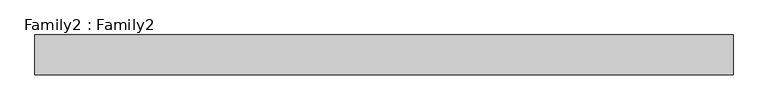
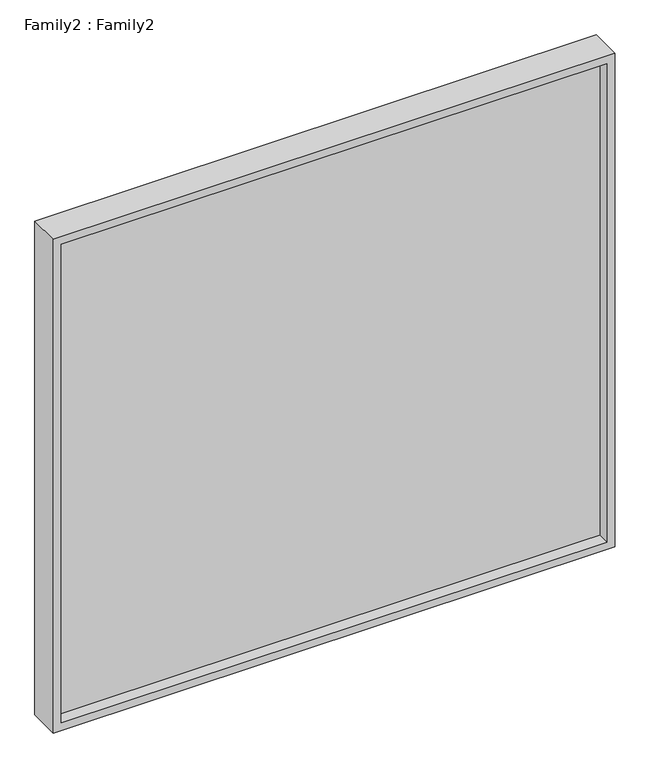
"""IFC4 building model written with IfcOpenShell, lengths in millimetres: plate geometry, Family2 : Family2."""

from ifc_helpers import new_model, si_unit, frame, origin, place, context, project, spatial, polyline, outline, extrude, source, transform, mapped, element, save


def family2_family2_6728c8a0(model_context):
    return source(origin(), model_context, "Body", "SweptSolid", [
        extrude(outline(polyline([(1300.0, -700.0), (0.0, -700.0), (0.0, 700.0), (1300.0, 700.0), (1300.0, -700.0)]), holes=[polyline([(20.0, -680.0), (1280.0, -680.0), (1280.0, 680.0), (20.0, 680.0), (20.0, -680.0)])]), frame((0.0, -40.0, 0.0), z_axis=(0.0, 1.0, 0.0), x_axis=(0.0, 0.0, 1.0)), (0.0, 0.0, 1.0), 80.0),
        extrude(outline(polyline([(680.0, -10.0), (-680.0, -10.0), (-680.0, 10.0), (680.0, 10.0), (680.0, -10.0)])), frame((0.0, 0.0, 20.0), z_axis=(0.0, 0.0, 1.0), x_axis=(1.0, 0.0, 0.0)), (0.0, 0.0, 1.0), 1260.0),
    ])


if __name__ == "__main__":
    model = new_model("IFC4")
    model_context = context("Model", 3, world=origin())
    ifc_project = project(units=[si_unit("LENGTHUNIT", "METRE", prefix="MILLI")], contexts=[model_context])
    site = spatial("IfcSite", under=ifc_project)
    building = spatial("IfcBuilding", under=site)
    placement = place(None, origin())
    family2_family2_shape = family2_family2_6728c8a0(model_context)
    element("IfcPlate", 1, ObjectType="Family2 : Family2", at=placement, inside=building, context=model_context, shape_type="MappedRepresentation", body=[
        mapped(family2_family2_shape, transform((0.0, 0.0, 0.0), x_axis=(1.0, 0.0, 0.0), y_axis=(0.0, 1.0, 0.0), z_axis=(0.0, 0.0, 1.0))),
    ])
    save(model, "model.ifc")
